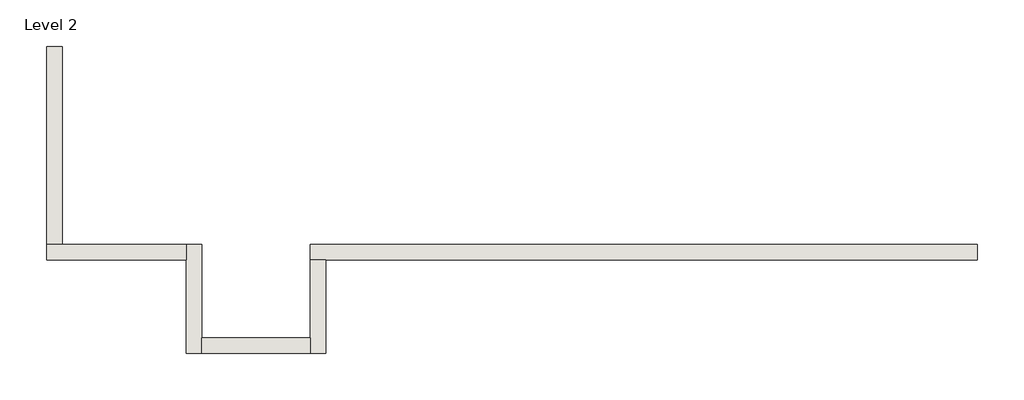
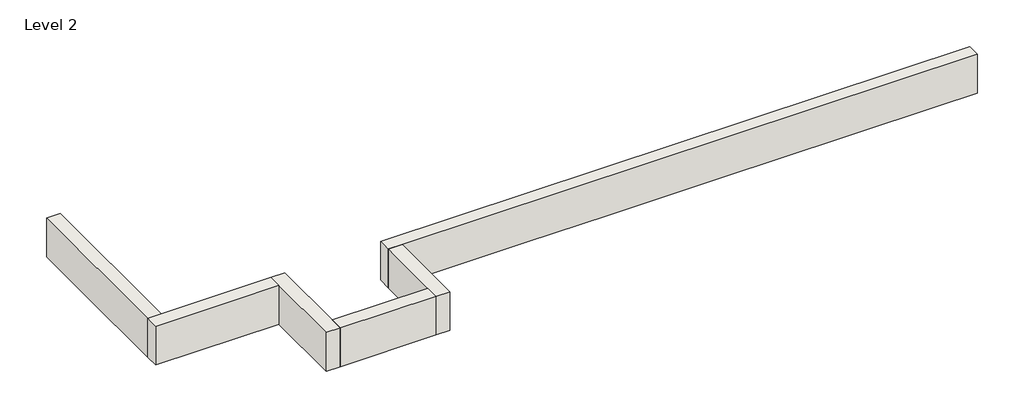
# One storey: 6 walls.
"""IFC4 building model written with IfcOpenShell, lengths in millimetres."""

from ifc_helpers import new_model, si_unit, frame, origin, place, context, project, spatial, polyline, outline, extrude, faceted_brep, element, save

model = new_model("IFC4")

# Units and contexts
model_context = context("Model", 3, world=origin())
ifc_project = project(units=[si_unit("LENGTHUNIT", "METRE", prefix="MILLI")], contexts=[model_context])

# Site, building, storey
site = spatial("IfcSite", under=ifc_project)
building = spatial("IfcBuilding", under=site)
storey = spatial("IfcBuildingStorey", under=building, Name="Level 2", Elevation=3048.0)

# Walls
placement = place(None, origin())
element("IfcWall", 1, ObjectType="Generic - 8\" Brick", at=placement, inside=storey, context=model_context, shape_type="Brep", body=[
    faceted_brep([(10363.157857, 1422.3976187, 3048.0), (9753.557857, 1422.3976187, 3048.0), (7315.157857, 1422.3976187, 3048.0), (6705.557857, 1422.3976187, 3048.0), (4876.757857, 1422.3976187, 3048.0), (3657.557857, 1422.3976187, 3048.0), (1625.5602383, 1422.3976187, 3048.0), (1625.5602383, 1422.3976187, 3657.6), (10363.157857, 1422.3976187, 3657.6), (10363.157857, 1219.1976187, 3048.0), (10363.157857, 1219.1976187, 3657.6), (1828.7602383, 1219.1976187, 3657.6), (1625.5602383, 1219.1976187, 3657.6), (1625.5602383, 1219.1976187, 3048.0), (1828.7602383, 1219.1976187, 3048.0), (3657.557857, 1219.1976187, 3048.0), (4876.757857, 1219.1976187, 3048.0), (6705.557857, 1219.1976187, 3048.0), (7315.157857, 1219.1976187, 3048.0), (9753.557857, 1219.1976187, 3048.0)], [[[0, 1, 2, 3, 4, 5, 6, 7, 8]], [[9, 10, 11, 12, 13, 14, 15, 16, 17, 18, 19]], [[6, 5, 4, 3, 2, 1, 0, 9, 19, 18, 17, 16, 15, 14, 13]], [[8, 7, 12, 11, 10]], [[0, 8, 10, 9]], [[7, 6, 13, 12]]]),
])
element("IfcWall", 2, ObjectType="Generic - 8\" Brick", at=placement, inside=storey, context=model_context, shape_type="Brep", body=[
    faceted_brep([(1625.5602383, 1219.1976187, 3048.0), (1625.5602383, 203.2, 3048.0), (1625.5602383, 0.0, 3048.0), (1625.5602383, 0.0, 3657.6), (1625.5602383, 203.2, 3657.6), (1625.5602383, 1219.1976187, 3657.6), (1828.7602383, 1219.1976187, 3048.0), (1828.7602383, 1219.1976187, 3657.6), (1828.7602383, 0.0, 3657.6), (1828.7602383, 0.0, 3048.0)], [[[0, 1, 2, 3, 4, 5]], [[6, 7, 8, 9]], [[2, 1, 0, 6, 9]], [[5, 4, 3, 8, 7]], [[0, 5, 7, 6]], [[3, 2, 9, 8]]]),
])
element("IfcWall", 3, ObjectType="Generic - 8\" Brick", at=placement, inside=storey, context=model_context, shape_type="SweptSolid", body=[
    extrude(outline(polyline([(203.157857, 203.2), (1625.5602383, 203.2), (1625.5602383, 0.0), (203.157857, 0.0), (203.157857, 203.2)])), frame((0.0, 0.0, 3048.0), z_axis=(0.0, 0.0, 1.0), x_axis=(1.0, 0.0, 0.0)), (0.0, 0.0, 1.0), 609.6),
])
element("IfcWall", 4, ObjectType="Generic - 8\" Brick", at=placement, inside=storey, context=model_context, shape_type="Brep", body=[
    faceted_brep([(203.157857, 0.0, 3048.0), (203.157857, 203.2, 3048.0), (203.157857, 1422.3976187, 3048.0), (203.157857, 1422.3976187, 3657.6), (203.157857, 203.2, 3657.6), (203.157857, 0.0, 3657.6), (-0.042143, 0.0, 3048.0), (-0.042143, 0.0, 3657.6), (-0.042143, 1219.1976187, 3657.6), (-0.042143, 1422.3976187, 3657.6), (-0.042143, 1422.3976187, 3048.0), (-0.042143, 1219.1976187, 3048.0)], [[[0, 1, 2, 3, 4, 5]], [[6, 7, 8, 9, 10, 11]], [[2, 1, 0, 6, 11, 10]], [[5, 4, 3, 9, 8, 7]], [[0, 5, 7, 6]], [[3, 2, 10, 9]]]),
])
element("IfcWall", 5, ObjectType="Generic - 8\" Brick", at=placement, inside=storey, context=model_context, shape_type="Brep", body=[
    faceted_brep([(-0.042143, 1422.3976187, 3048.0), (-1625.610393, 1422.3976187, 3048.0), (-1828.810393, 1422.3976187, 3048.0), (-1828.810393, 1422.3976187, 3657.6), (-1625.610393, 1422.3976187, 3657.6), (-0.042143, 1422.3976187, 3657.6), (-0.042143, 1219.1976187, 3048.0), (-0.042143, 1219.1976187, 3657.6), (-1828.810393, 1219.1976187, 3657.6), (-1828.810393, 1219.1976187, 3048.0)], [[[0, 1, 2, 3, 4, 5]], [[6, 7, 8, 9]], [[2, 1, 0, 6, 9]], [[5, 4, 3, 8, 7]], [[0, 5, 7, 6]], [[3, 2, 9, 8]]]),
])
element("IfcWall", 6, ObjectType="Generic - 8\" Brick", at=placement, inside=storey, context=model_context, shape_type="Brep", body=[
    faceted_brep([(-1625.610393, 1422.3976187, 3048.0), (-1625.610393, 3047.96825, 3048.0), (-1625.610393, 4021.038226, 3048.0), (-1625.610393, 4021.038226, 3657.6), (-1625.610393, 1422.3976187, 3657.6), (-1828.810393, 1422.3976187, 3048.0), (-1828.810393, 1422.3976187, 3657.6), (-1828.810393, 4021.038226, 3657.6), (-1828.810393, 4021.038226, 3048.0), (-1828.810393, 3047.96825, 3048.0)], [[[0, 1, 2, 3, 4]], [[5, 6, 7, 8, 9]], [[2, 1, 0, 5, 9, 8]], [[3, 2, 8, 7]], [[4, 3, 7, 6]], [[0, 4, 6, 5]]]),
])

save(model, "model.ifc")
